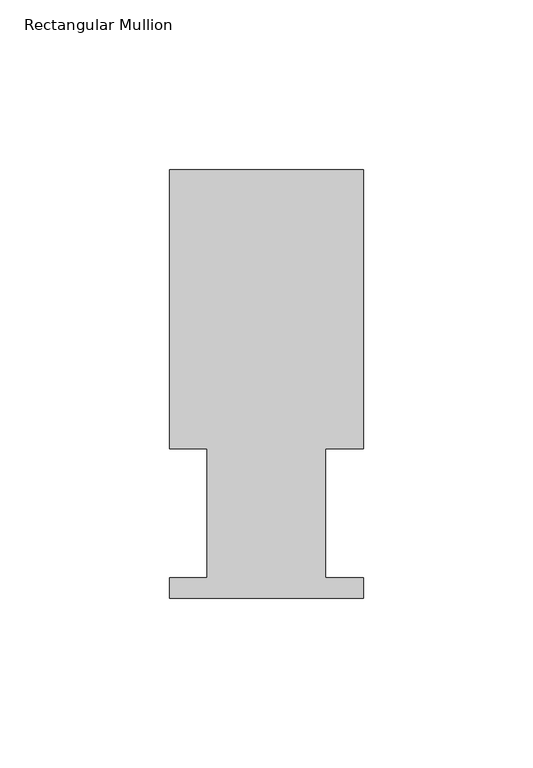
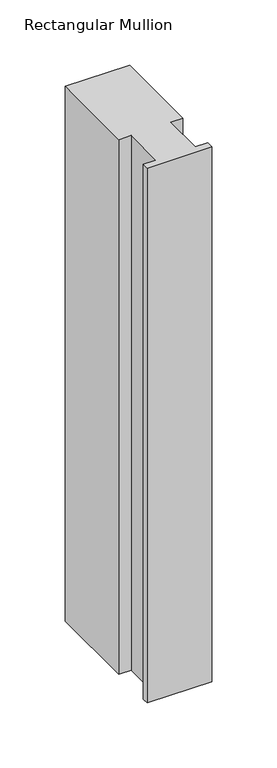
"""IFC4 building model written with IfcOpenShell, lengths in millimetres: member geometry, Rectangular Mullion."""

from ifc_helpers import new_model, si_unit, frame, origin, place, context, project, spatial, polyline, outline, extrude, source, transform, mapped, element, save


def rectangular_mullion_2ecd2772(model_context):
    return source(origin(), model_context, "Body", "SweptSolid", [
        extrude(outline(polyline([(0.0, 126.619), (0.0, 44.45), (-11.1120704, 44.45), (-11.1120704, 6.35), (0.0, 6.35), (0.0, 0.4064), (-57.15, 0.4064), (-57.15, 6.35), (-46.0370705, 6.35), (-46.0370705, 44.45), (-57.15, 44.45), (-57.15, 126.619), (0.0, 126.619)])), frame((0.0, 0.0, -501.65), z_axis=(0.0, 0.0, 1.0), x_axis=(1.0, 0.0, 0.0)), (0.0, 0.0, 1.0), 501.65),
    ])


if __name__ == "__main__":
    model = new_model("IFC4")
    model_context = context("Model", 3, world=origin())
    ifc_project = project(units=[si_unit("LENGTHUNIT", "METRE", prefix="MILLI")], contexts=[model_context])
    site = spatial("IfcSite", under=ifc_project)
    building = spatial("IfcBuilding", under=site)
    placement = place(None, origin())
    rectangular_mullion_shape = rectangular_mullion_2ecd2772(model_context)
    element("IfcMember", 1, ObjectType="Rectangular Mullion", at=placement, inside=building, context=model_context, shape_type="MappedRepresentation", body=[
        mapped(rectangular_mullion_shape, transform((0.0, 0.0, 0.0), x_axis=(1.0, 0.0, 0.0), y_axis=(0.0, 1.0, 0.0), z_axis=(0.0, 0.0, 1.0))),
    ])
    save(model, "model.ifc")
